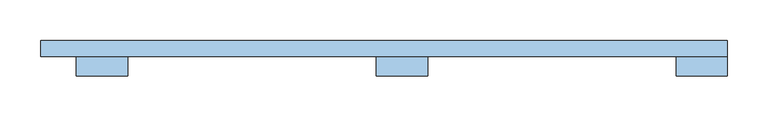
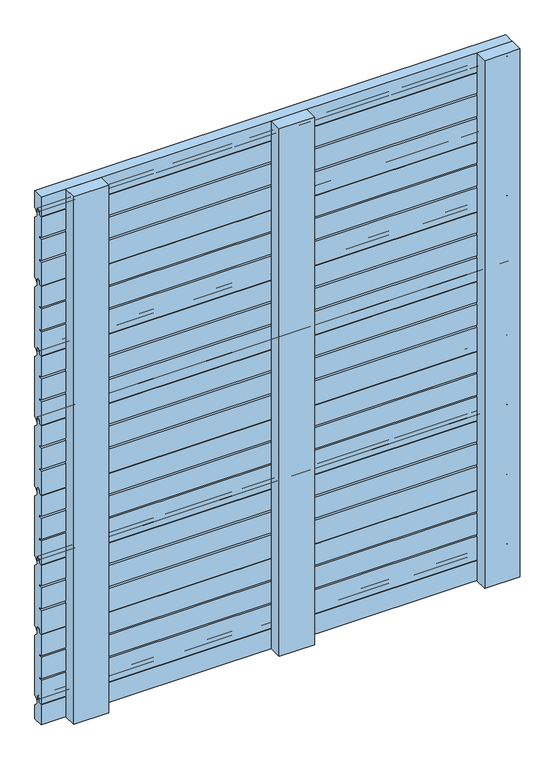
"""IFC4 building model written with IfcOpenShell, lengths in millimetres: window geometry."""

from ifc_helpers import new_model, si_unit, point, frame, frame_2d, origin, place, context, project, spatial, polyline, circle_curve, trimmed, segment, composite_curve, outline, extrude, source, transform, mapped, element, save


def window_bc30f3cb(model_context):
    return source(origin(), model_context, "Body", "SweptSolid", [
        extrude(outline(composite_curve([segment(trimmed(circle_curve(frame_2d((65.5, 140.0)), 1.0), [point((66.5, 140.0))], [point((65.5, 139.0))], False, "CARTESIAN"), True, "CONTINUOUS"), segment(polyline([(65.5, 139.0), (60.5, 139.0), (60.5, 184.0), (66.5, 184.0), (66.5, 187.5), (60.5, 187.5), (60.5, 227.5), (66.5, 227.5), (66.5, 231.0), (60.5, 231.0), (60.5, 270.0), (67.0, 270.0), (67.0, 276.5)]), True, "CONTINUOUS"), segment(trimmed(circle_curve(frame_2d((68.5, 276.5)), 1.5), [point((67.0, 276.5))], [point((68.5, 278.0))], False, "CARTESIAN"), True, "CONTINUOUS"), segment(polyline([(68.5, 278.0), (71.5, 278.0)]), True, "CONTINUOUS"), segment(trimmed(circle_curve(frame_2d((71.5, 276.5)), 1.5), [point((71.5, 278.0))], [point((73.0, 276.5))], False, "CARTESIAN"), True, "CONTINUOUS"), segment(polyline([(73.0, 276.5), (73.0, 265.4142136)]), True, "CONTINUOUS"), segment(trimmed(circle_curve(frame_2d((74.0, 265.4142136)), 1.0), [point((73.0, 265.4142136))], [point((73.2928932, 264.7071068))], True, "CARTESIAN"), True, "CONTINUOUS"), segment(polyline([(73.2928932, 264.7071068), (79.5606602, 258.4393398)]), True, "CONTINUOUS"), segment(trimmed(circle_curve(frame_2d((78.5, 257.3786797)), 1.5), [point((79.5606602, 258.4393398))], [point((80.0, 257.3786797))], False, "CARTESIAN"), True, "CONTINUOUS"), segment(polyline([(80.0, 257.3786797), (80.0, 145.2071068)]), True, "CONTINUOUS"), segment(trimmed(circle_curve(frame_2d((78.5, 145.2071068)), 1.5), [point((80.0, 145.2071068))], [point((79.5606602, 144.1464466))], False, "CARTESIAN"), True, "CONTINUOUS"), segment(polyline([(79.5606602, 144.1464466), (74.7071068, 139.2928932)]), True, "CONTINUOUS"), segment(trimmed(circle_curve(frame_2d((74.0, 140.0)), 1.0), [point((74.7071068, 139.2928932))], [point((73.0, 140.0))], False, "CARTESIAN"), True, "CONTINUOUS"), segment(polyline([(73.0, 140.0), (73.0, 146.5)]), True, "CONTINUOUS"), segment(trimmed(circle_curve(frame_2d((71.5, 146.5)), 1.5), [point((73.0, 146.5))], [point((71.5, 148.0))], True, "CARTESIAN"), True, "CONTINUOUS"), segment(polyline([(71.5, 148.0), (68.0, 148.0)]), True, "CONTINUOUS"), segment(trimmed(circle_curve(frame_2d((68.0, 146.5)), 1.5), [point((68.0, 148.0))], [point((66.5, 146.5))], True, "CARTESIAN"), True, "CONTINUOUS"), segment(polyline([(66.5, 146.5), (66.5, 140.0)]), True, "CONTINUOUS")], self_intersect=False)), frame((-444.0, 0.0, 0.0), z_axis=(1.0, 0.0, 0.0), x_axis=(0.0, 1.0, 0.0)), (0.0, 0.0, 1.0), 844.0),
        extrude(outline(composite_curve([segment(trimmed(circle_curve(frame_2d((65.5, 272.0)), 1.0), [point((66.5, 272.0))], [point((65.5, 271.0))], False, "CARTESIAN"), True, "CONTINUOUS"), segment(polyline([(65.5, 271.0), (60.5, 271.0), (60.5, 316.0), (66.5, 316.0), (66.5, 319.5), (60.5, 319.5), (60.5, 359.5), (66.5, 359.5), (66.5, 363.0), (60.5, 363.0), (60.5, 402.0), (67.0, 402.0), (67.0, 408.5)]), True, "CONTINUOUS"), segment(trimmed(circle_curve(frame_2d((68.5, 408.5)), 1.5), [point((67.0, 408.5))], [point((68.5, 410.0))], False, "CARTESIAN"), True, "CONTINUOUS"), segment(polyline([(68.5, 410.0), (71.5, 410.0)]), True, "CONTINUOUS"), segment(trimmed(circle_curve(frame_2d((71.5, 408.5)), 1.5), [point((71.5, 410.0))], [point((73.0, 408.5))], False, "CARTESIAN"), True, "CONTINUOUS"), segment(polyline([(73.0, 408.5), (73.0, 397.4142136)]), True, "CONTINUOUS"), segment(trimmed(circle_curve(frame_2d((74.0, 397.4142136)), 1.0), [point((73.0, 397.4142136))], [point((73.2928932, 396.7071068))], True, "CARTESIAN"), True, "CONTINUOUS"), segment(polyline([(73.2928932, 396.7071068), (79.5606602, 390.4393398)]), True, "CONTINUOUS"), segment(trimmed(circle_curve(frame_2d((78.5, 389.3786797)), 1.5), [point((79.5606602, 390.4393398))], [point((80.0, 389.3786797))], False, "CARTESIAN"), True, "CONTINUOUS"), segment(polyline([(80.0, 389.3786797), (80.0, 277.2071068)]), True, "CONTINUOUS"), segment(trimmed(circle_curve(frame_2d((78.5, 277.2071068)), 1.5), [point((80.0, 277.2071068))], [point((79.5606602, 276.1464466))], False, "CARTESIAN"), True, "CONTINUOUS"), segment(polyline([(79.5606602, 276.1464466), (74.7071068, 271.2928932)]), True, "CONTINUOUS"), segment(trimmed(circle_curve(frame_2d((74.0, 272.0)), 1.0), [point((74.7071068, 271.2928932))], [point((73.0, 272.0))], False, "CARTESIAN"), True, "CONTINUOUS"), segment(polyline([(73.0, 272.0), (73.0, 278.5)]), True, "CONTINUOUS"), segment(trimmed(circle_curve(frame_2d((71.5, 278.5)), 1.5), [point((73.0, 278.5))], [point((71.5, 280.0))], True, "CARTESIAN"), True, "CONTINUOUS"), segment(polyline([(71.5, 280.0), (68.0, 280.0)]), True, "CONTINUOUS"), segment(trimmed(circle_curve(frame_2d((68.0, 278.5)), 1.5), [point((68.0, 280.0))], [point((66.5, 278.5))], True, "CARTESIAN"), True, "CONTINUOUS"), segment(polyline([(66.5, 278.5), (66.5, 272.0)]), True, "CONTINUOUS")], self_intersect=False)), frame((-444.0, 0.0, 0.0), z_axis=(1.0, 0.0, 0.0), x_axis=(0.0, 1.0, 0.0)), (0.0, 0.0, 1.0), 844.0),
        extrude(outline(composite_curve([segment(trimmed(circle_curve(frame_2d((65.5, 404.0)), 1.0), [point((66.5, 404.0))], [point((65.5, 403.0))], False, "CARTESIAN"), True, "CONTINUOUS"), segment(polyline([(65.5, 403.0), (60.5, 403.0), (60.5, 448.0), (66.5, 448.0), (66.5, 451.5), (60.5, 451.5), (60.5, 491.5), (66.5, 491.5), (66.5, 495.0), (60.5, 495.0), (60.5, 534.0), (67.0, 534.0), (67.0, 540.5)]), True, "CONTINUOUS"), segment(trimmed(circle_curve(frame_2d((68.5, 540.5)), 1.5), [point((67.0, 540.5))], [point((68.5, 542.0))], False, "CARTESIAN"), True, "CONTINUOUS"), segment(polyline([(68.5, 542.0), (71.5, 542.0)]), True, "CONTINUOUS"), segment(trimmed(circle_curve(frame_2d((71.5, 540.5)), 1.5), [point((71.5, 542.0))], [point((73.0, 540.5))], False, "CARTESIAN"), True, "CONTINUOUS"), segment(polyline([(73.0, 540.5), (73.0, 529.4142136)]), True, "CONTINUOUS"), segment(trimmed(circle_curve(frame_2d((74.0, 529.4142136)), 1.0), [point((73.0, 529.4142136))], [point((73.2928932, 528.7071068))], True, "CARTESIAN"), True, "CONTINUOUS"), segment(polyline([(73.2928932, 528.7071068), (79.5606602, 522.4393398)]), True, "CONTINUOUS"), segment(trimmed(circle_curve(frame_2d((78.5, 521.3786797)), 1.5), [point((79.5606602, 522.4393398))], [point((80.0, 521.3786797))], False, "CARTESIAN"), True, "CONTINUOUS"), segment(polyline([(80.0, 521.3786797), (80.0, 409.2071068)]), True, "CONTINUOUS"), segment(trimmed(circle_curve(frame_2d((78.5, 409.2071068)), 1.5), [point((80.0, 409.2071068))], [point((79.5606602, 408.1464466))], False, "CARTESIAN"), True, "CONTINUOUS"), segment(polyline([(79.5606602, 408.1464466), (74.7071068, 403.2928932)]), True, "CONTINUOUS"), segment(trimmed(circle_curve(frame_2d((74.0, 404.0)), 1.0), [point((74.7071068, 403.2928932))], [point((73.0, 404.0))], False, "CARTESIAN"), True, "CONTINUOUS"), segment(polyline([(73.0, 404.0), (73.0, 410.5)]), True, "CONTINUOUS"), segment(trimmed(circle_curve(frame_2d((71.5, 410.5)), 1.5), [point((73.0, 410.5))], [point((71.5, 412.0))], True, "CARTESIAN"), True, "CONTINUOUS"), segment(polyline([(71.5, 412.0), (68.0, 412.0)]), True, "CONTINUOUS"), segment(trimmed(circle_curve(frame_2d((68.0, 410.5)), 1.5), [point((68.0, 412.0))], [point((66.5, 410.5))], True, "CARTESIAN"), True, "CONTINUOUS"), segment(polyline([(66.5, 410.5), (66.5, 404.0)]), True, "CONTINUOUS")], self_intersect=False)), frame((-444.0, 0.0, 0.0), z_axis=(1.0, 0.0, 0.0), x_axis=(0.0, 1.0, 0.0)), (0.0, 0.0, 1.0), 844.0),
        extrude(outline(composite_curve([segment(trimmed(circle_curve(frame_2d((65.5, 536.0)), 1.0), [point((66.5, 536.0))], [point((65.5, 535.0))], False, "CARTESIAN"), True, "CONTINUOUS"), segment(polyline([(65.5, 535.0), (60.5, 535.0), (60.5, 580.0), (66.5, 580.0), (66.5, 583.5), (60.5, 583.5), (60.5, 623.5), (66.5, 623.5), (66.5, 627.0), (60.5, 627.0), (60.5, 666.0), (67.0, 666.0), (67.0, 672.5)]), True, "CONTINUOUS"), segment(trimmed(circle_curve(frame_2d((68.5, 672.5)), 1.5), [point((67.0, 672.5))], [point((68.5, 674.0))], False, "CARTESIAN"), True, "CONTINUOUS"), segment(polyline([(68.5, 674.0), (71.5, 674.0)]), True, "CONTINUOUS"), segment(trimmed(circle_curve(frame_2d((71.5, 672.5)), 1.5), [point((71.5, 674.0))], [point((73.0, 672.5))], False, "CARTESIAN"), True, "CONTINUOUS"), segment(polyline([(73.0, 672.5), (73.0, 661.4142136)]), True, "CONTINUOUS"), segment(trimmed(circle_curve(frame_2d((74.0, 661.4142136)), 1.0), [point((73.0, 661.4142136))], [point((73.2928932, 660.7071068))], True, "CARTESIAN"), True, "CONTINUOUS"), segment(polyline([(73.2928932, 660.7071068), (79.5606602, 654.4393398)]), True, "CONTINUOUS"), segment(trimmed(circle_curve(frame_2d((78.5, 653.3786797)), 1.5), [point((79.5606602, 654.4393398))], [point((80.0, 653.3786797))], False, "CARTESIAN"), True, "CONTINUOUS"), segment(polyline([(80.0, 653.3786797), (80.0, 541.2071068)]), True, "CONTINUOUS"), segment(trimmed(circle_curve(frame_2d((78.5, 541.2071068)), 1.5), [point((80.0, 541.2071068))], [point((79.5606602, 540.1464466))], False, "CARTESIAN"), True, "CONTINUOUS"), segment(polyline([(79.5606602, 540.1464466), (74.7071068, 535.2928932)]), True, "CONTINUOUS"), segment(trimmed(circle_curve(frame_2d((74.0, 536.0)), 1.0), [point((74.7071068, 535.2928932))], [point((73.0, 536.0))], False, "CARTESIAN"), True, "CONTINUOUS"), segment(polyline([(73.0, 536.0), (73.0, 542.5)]), True, "CONTINUOUS"), segment(trimmed(circle_curve(frame_2d((71.5, 542.5)), 1.5), [point((73.0, 542.5))], [point((71.5, 544.0))], True, "CARTESIAN"), True, "CONTINUOUS"), segment(polyline([(71.5, 544.0), (68.0, 544.0)]), True, "CONTINUOUS"), segment(trimmed(circle_curve(frame_2d((68.0, 542.5)), 1.5), [point((68.0, 544.0))], [point((66.5, 542.5))], True, "CARTESIAN"), True, "CONTINUOUS"), segment(polyline([(66.5, 542.5), (66.5, 536.0)]), True, "CONTINUOUS")], self_intersect=False)), frame((-444.0, 0.0, 0.0), z_axis=(1.0, 0.0, 0.0), x_axis=(0.0, 1.0, 0.0)), (0.0, 0.0, 1.0), 844.0),
        extrude(outline(composite_curve([segment(trimmed(circle_curve(frame_2d((65.5, 668.0)), 1.0), [point((66.5, 668.0))], [point((65.5, 667.0))], False, "CARTESIAN"), True, "CONTINUOUS"), segment(polyline([(65.5, 667.0), (60.5, 667.0), (60.5, 712.0), (66.5, 712.0), (66.5, 715.5), (60.5, 715.5), (60.5, 755.5), (66.5, 755.5), (66.5, 759.0), (60.5, 759.0), (60.5, 798.0), (67.0, 798.0), (67.0, 804.5)]), True, "CONTINUOUS"), segment(trimmed(circle_curve(frame_2d((68.5, 804.5)), 1.5), [point((67.0, 804.5))], [point((68.5, 806.0))], False, "CARTESIAN"), True, "CONTINUOUS"), segment(polyline([(68.5, 806.0), (71.5, 806.0)]), True, "CONTINUOUS"), segment(trimmed(circle_curve(frame_2d((71.5, 804.5)), 1.5), [point((71.5, 806.0))], [point((73.0, 804.5))], False, "CARTESIAN"), True, "CONTINUOUS"), segment(polyline([(73.0, 804.5), (73.0, 793.4142136)]), True, "CONTINUOUS"), segment(trimmed(circle_curve(frame_2d((74.0, 793.4142136)), 1.0), [point((73.0, 793.4142136))], [point((73.2928932, 792.7071068))], True, "CARTESIAN"), True, "CONTINUOUS"), segment(polyline([(73.2928932, 792.7071068), (79.5606602, 786.4393398)]), True, "CONTINUOUS"), segment(trimmed(circle_curve(frame_2d((78.5, 785.3786797)), 1.5), [point((79.5606602, 786.4393398))], [point((80.0, 785.3786797))], False, "CARTESIAN"), True, "CONTINUOUS"), segment(polyline([(80.0, 785.3786797), (80.0, 673.2071068)]), True, "CONTINUOUS"), segment(trimmed(circle_curve(frame_2d((78.5, 673.2071068)), 1.5), [point((80.0, 673.2071068))], [point((79.5606602, 672.1464466))], False, "CARTESIAN"), True, "CONTINUOUS"), segment(polyline([(79.5606602, 672.1464466), (74.7071068, 667.2928932)]), True, "CONTINUOUS"), segment(trimmed(circle_curve(frame_2d((74.0, 668.0)), 1.0), [point((74.7071068, 667.2928932))], [point((73.0, 668.0))], False, "CARTESIAN"), True, "CONTINUOUS"), segment(polyline([(73.0, 668.0), (73.0, 674.5)]), True, "CONTINUOUS"), segment(trimmed(circle_curve(frame_2d((71.5, 674.5)), 1.5), [point((73.0, 674.5))], [point((71.5, 676.0))], True, "CARTESIAN"), True, "CONTINUOUS"), segment(polyline([(71.5, 676.0), (68.0, 676.0)]), True, "CONTINUOUS"), segment(trimmed(circle_curve(frame_2d((68.0, 674.5)), 1.5), [point((68.0, 676.0))], [point((66.5, 674.5))], True, "CARTESIAN"), True, "CONTINUOUS"), segment(polyline([(66.5, 674.5), (66.5, 668.0)]), True, "CONTINUOUS")], self_intersect=False)), frame((-444.0, 0.0, 0.0), z_axis=(1.0, 0.0, 0.0), x_axis=(0.0, 1.0, 0.0)), (0.0, 0.0, 1.0), 844.0),
        extrude(outline(composite_curve([segment(trimmed(circle_curve(frame_2d((65.5, 800.0)), 1.0), [point((66.5, 800.0))], [point((65.5, 799.0))], False, "CARTESIAN"), True, "CONTINUOUS"), segment(polyline([(65.5, 799.0), (60.5, 799.0), (60.5, 844.0), (66.5, 844.0), (66.5, 847.5), (60.5, 847.5), (60.5, 887.5), (66.5, 887.5), (66.5, 891.0), (60.5, 891.0), (60.5, 930.0), (67.0, 930.0), (67.0, 936.5)]), True, "CONTINUOUS"), segment(trimmed(circle_curve(frame_2d((68.5, 936.5)), 1.5), [point((67.0, 936.5))], [point((68.5, 938.0))], False, "CARTESIAN"), True, "CONTINUOUS"), segment(polyline([(68.5, 938.0), (71.5, 938.0)]), True, "CONTINUOUS"), segment(trimmed(circle_curve(frame_2d((71.5, 936.5)), 1.5), [point((71.5, 938.0))], [point((73.0, 936.5))], False, "CARTESIAN"), True, "CONTINUOUS"), segment(polyline([(73.0, 936.5), (73.0, 925.4142136)]), True, "CONTINUOUS"), segment(trimmed(circle_curve(frame_2d((74.0, 925.4142136)), 1.0), [point((73.0, 925.4142136))], [point((73.2928932, 924.7071068))], True, "CARTESIAN"), True, "CONTINUOUS"), segment(polyline([(73.2928932, 924.7071068), (79.5606602, 918.4393398)]), True, "CONTINUOUS"), segment(trimmed(circle_curve(frame_2d((78.5, 917.3786797)), 1.5), [point((79.5606602, 918.4393398))], [point((80.0, 917.3786797))], False, "CARTESIAN"), True, "CONTINUOUS"), segment(polyline([(80.0, 917.3786797), (80.0, 805.2071068)]), True, "CONTINUOUS"), segment(trimmed(circle_curve(frame_2d((78.5, 805.2071068)), 1.5), [point((80.0, 805.2071068))], [point((79.5606602, 804.1464466))], False, "CARTESIAN"), True, "CONTINUOUS"), segment(polyline([(79.5606602, 804.1464466), (74.7071068, 799.2928932)]), True, "CONTINUOUS"), segment(trimmed(circle_curve(frame_2d((74.0, 800.0)), 1.0), [point((74.7071068, 799.2928932))], [point((73.0, 800.0))], False, "CARTESIAN"), True, "CONTINUOUS"), segment(polyline([(73.0, 800.0), (73.0, 806.5)]), True, "CONTINUOUS"), segment(trimmed(circle_curve(frame_2d((71.5, 806.5)), 1.5), [point((73.0, 806.5))], [point((71.5, 808.0))], True, "CARTESIAN"), True, "CONTINUOUS"), segment(polyline([(71.5, 808.0), (68.0, 808.0)]), True, "CONTINUOUS"), segment(trimmed(circle_curve(frame_2d((68.0, 806.5)), 1.5), [point((68.0, 808.0))], [point((66.5, 806.5))], True, "CARTESIAN"), True, "CONTINUOUS"), segment(polyline([(66.5, 806.5), (66.5, 800.0)]), True, "CONTINUOUS")], self_intersect=False)), frame((-444.0, 0.0, 0.0), z_axis=(1.0, 0.0, 0.0), x_axis=(0.0, 1.0, 0.0)), (0.0, 0.0, 1.0), 844.0),
        extrude(outline(composite_curve([segment(trimmed(circle_curve(frame_2d((65.5, 932.0)), 1.0), [point((66.5, 932.0))], [point((65.5, 931.0))], False, "CARTESIAN"), True, "CONTINUOUS"), segment(polyline([(65.5, 931.0), (60.5, 931.0), (60.5, 976.0), (66.5, 976.0), (66.5, 979.5), (60.5, 979.5), (60.5, 1019.5), (66.5, 1019.5), (66.5, 1023.0), (60.5, 1023.0), (60.5, 1062.0), (67.0, 1062.0), (67.0, 1068.5)]), True, "CONTINUOUS"), segment(trimmed(circle_curve(frame_2d((68.5, 1068.5)), 1.5), [point((67.0, 1068.5))], [point((68.5, 1070.0))], False, "CARTESIAN"), True, "CONTINUOUS"), segment(polyline([(68.5, 1070.0), (71.5, 1070.0)]), True, "CONTINUOUS"), segment(trimmed(circle_curve(frame_2d((71.5, 1068.5)), 1.5), [point((71.5, 1070.0))], [point((73.0, 1068.5))], False, "CARTESIAN"), True, "CONTINUOUS"), segment(polyline([(73.0, 1068.5), (73.0, 1057.4142136)]), True, "CONTINUOUS"), segment(trimmed(circle_curve(frame_2d((74.0, 1057.4142136)), 1.0), [point((73.0, 1057.4142136))], [point((73.2928932, 1056.7071068))], True, "CARTESIAN"), True, "CONTINUOUS"), segment(polyline([(73.2928932, 1056.7071068), (79.5606602, 1050.4393398)]), True, "CONTINUOUS"), segment(trimmed(circle_curve(frame_2d((78.5, 1049.3786797)), 1.5), [point((79.5606602, 1050.4393398))], [point((80.0, 1049.3786797))], False, "CARTESIAN"), True, "CONTINUOUS"), segment(polyline([(80.0, 1049.3786797), (80.0, 937.2071068)]), True, "CONTINUOUS"), segment(trimmed(circle_curve(frame_2d((78.5, 937.2071068)), 1.5), [point((80.0, 937.2071068))], [point((79.5606602, 936.1464466))], False, "CARTESIAN"), True, "CONTINUOUS"), segment(polyline([(79.5606602, 936.1464466), (74.7071068, 931.2928932)]), True, "CONTINUOUS"), segment(trimmed(circle_curve(frame_2d((74.0, 932.0)), 1.0), [point((74.7071068, 931.2928932))], [point((73.0, 932.0))], False, "CARTESIAN"), True, "CONTINUOUS"), segment(polyline([(73.0, 932.0), (73.0, 938.5)]), True, "CONTINUOUS"), segment(trimmed(circle_curve(frame_2d((71.5, 938.5)), 1.5), [point((73.0, 938.5))], [point((71.5, 940.0))], True, "CARTESIAN"), True, "CONTINUOUS"), segment(polyline([(71.5, 940.0), (68.0, 940.0)]), True, "CONTINUOUS"), segment(trimmed(circle_curve(frame_2d((68.0, 938.5)), 1.5), [point((68.0, 940.0))], [point((66.5, 938.5))], True, "CARTESIAN"), True, "CONTINUOUS"), segment(polyline([(66.5, 938.5), (66.5, 932.0)]), True, "CONTINUOUS")], self_intersect=False)), frame((-444.0, 0.0, 0.0), z_axis=(1.0, 0.0, 0.0), x_axis=(0.0, 1.0, 0.0)), (0.0, 0.0, 1.0), 844.0),
        extrude(outline(composite_curve([segment(trimmed(circle_curve(frame_2d((78.5, 125.3786797)), 1.5), [point((79.5606602, 126.4393398))], [point((80.0, 125.3786797))], False, "CARTESIAN"), True, "CONTINUOUS"), segment(polyline([(80.0, 125.3786797), (80.0, 100.0), (60.5, 100.0), (60.5, 138.0), (67.0, 138.0), (67.0, 144.5)]), True, "CONTINUOUS"), segment(trimmed(circle_curve(frame_2d((68.5, 144.5)), 1.5), [point((67.0, 144.5))], [point((68.5, 146.0))], False, "CARTESIAN"), True, "CONTINUOUS"), segment(polyline([(68.5, 146.0), (71.5, 146.0)]), True, "CONTINUOUS"), segment(trimmed(circle_curve(frame_2d((71.5, 144.5)), 1.5), [point((71.5, 146.0))], [point((73.0, 144.5))], False, "CARTESIAN"), True, "CONTINUOUS"), segment(polyline([(73.0, 144.5), (73.0, 133.4142136)]), True, "CONTINUOUS"), segment(trimmed(circle_curve(frame_2d((74.0, 133.4142136)), 1.0), [point((73.0, 133.4142136))], [point((73.2928932, 132.7071068))], True, "CARTESIAN"), True, "CONTINUOUS"), segment(polyline([(73.2928932, 132.7071068), (79.5606602, 126.4393398)]), True, "CONTINUOUS")], self_intersect=False)), frame((-444.0, 0.0, 0.0), z_axis=(1.0, 0.0, 0.0), x_axis=(0.0, 1.0, 0.0)), (0.0, 0.0, 1.0), 844.0),
        extrude(outline(composite_curve([segment(trimmed(circle_curve(frame_2d((65.5, 1064.0)), 1.0), [point((66.5, 1064.0))], [point((65.5, 1063.0))], False, "CARTESIAN"), True, "CONTINUOUS"), segment(polyline([(65.5, 1063.0), (60.5, 1063.0), (60.5, 1100.0), (80.0, 1100.0), (80.0, 1069.2071068)]), True, "CONTINUOUS"), segment(trimmed(circle_curve(frame_2d((78.5, 1069.2071068)), 1.5), [point((80.0, 1069.2071068))], [point((79.5606602, 1068.1464466))], False, "CARTESIAN"), True, "CONTINUOUS"), segment(polyline([(79.5606602, 1068.1464466), (74.7071068, 1063.2928932)]), True, "CONTINUOUS"), segment(trimmed(circle_curve(frame_2d((74.0, 1064.0)), 1.0), [point((74.7071068, 1063.2928932))], [point((73.0, 1064.0))], False, "CARTESIAN"), True, "CONTINUOUS"), segment(polyline([(73.0, 1064.0), (73.0, 1070.5)]), True, "CONTINUOUS"), segment(trimmed(circle_curve(frame_2d((71.5, 1070.5)), 1.5), [point((73.0, 1070.5))], [point((71.5, 1072.0))], True, "CARTESIAN"), True, "CONTINUOUS"), segment(polyline([(71.5, 1072.0), (68.0, 1072.0)]), True, "CONTINUOUS"), segment(trimmed(circle_curve(frame_2d((68.0, 1070.5)), 1.5), [point((68.0, 1072.0))], [point((66.5, 1070.5))], True, "CARTESIAN"), True, "CONTINUOUS"), segment(polyline([(66.5, 1070.5), (66.5, 1064.0)]), True, "CONTINUOUS")], self_intersect=False)), frame((-444.0, 0.0, 0.0), z_axis=(1.0, 0.0, 0.0), x_axis=(0.0, 1.0, 0.0)), (0.0, 0.0, 1.0), 844.0),
        extrude(outline(polyline([(-31.5, 60.1), (31.5, 60.1), (31.5, 36.1), (-31.5, 36.1), (-31.5, 60.1)])), frame((0.0, 0.0, 100.0), z_axis=(0.0, 0.0, 1.0), x_axis=(1.0, 0.0, 0.0)), (0.0, 0.0, 1.0), 1000.0),
        extrude(outline(polyline([(-400.0, 60.0), (-337.0, 60.0), (-337.0, 36.0), (-400.0, 36.0), (-400.0, 60.0)])), frame((0.0, 0.0, 100.0), z_axis=(0.0, 0.0, 1.0), x_axis=(1.0, 0.0, 0.0)), (0.0, 0.0, 1.0), 1000.0),
        extrude(outline(polyline([(337.0, 60.0), (400.0, 60.0), (400.0, 36.0), (337.0, 36.0), (337.0, 60.0)])), frame((0.0, 0.0, 100.0), z_axis=(0.0, 0.0, 1.0), x_axis=(1.0, 0.0, 0.0)), (0.0, 0.0, 1.0), 1000.0),
    ])


if __name__ == "__main__":
    model = new_model("IFC4")
    model_context = context("Model", 3, world=origin())
    ifc_project = project(units=[si_unit("LENGTHUNIT", "METRE", prefix="MILLI")], contexts=[model_context])
    site = spatial("IfcSite", under=ifc_project)
    building = spatial("IfcBuilding", under=site)
    placement = place(None, origin())
    window_shape = window_bc30f3cb(model_context)
    element("IfcWindow", 1, at=placement, inside=building, context=model_context, shape_type="MappedRepresentation", body=[
        mapped(window_shape, transform((0.0, 0.0, 0.0), x_axis=(1.0, 0.0, 0.0), y_axis=(0.0, 1.0, 0.0), z_axis=(0.0, 0.0, 1.0))),
    ])
    save(model, "model.ifc")
